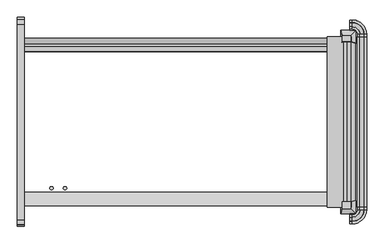
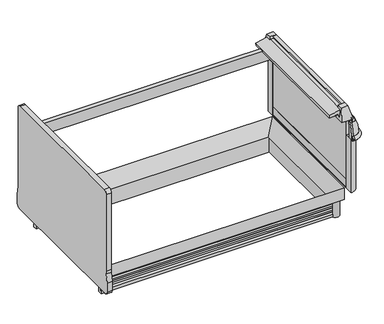
"""IFC4 building model written with IfcOpenShell, lengths in millimetres: proxy geometry."""

from ifc_helpers import new_model, si_unit, point, frame, frame_2d, origin, origin_with_axes, place, context, project, spatial, polyline, circle_curve, ellipse_curve, trimmed, segment, composite_curve, outline, extrude, faceted_brep, source, transform, mapped, element, save
from ifc_brep_helpers import plane_surface, cylinder_surface, revolved_surface, advanced_brep


def mechanical_equipment_b67474ab(model_context):
    return source(origin(), model_context, "Body", "SolidModel", [
        faceted_brep([(1837.6225341, -1407.9898987, 887.830185), (1837.6225341, -1369.8898987, 887.830185), (1786.8225341, -1369.8898987, 887.830185), (1786.8225341, -1407.9898987, 887.830185), (1863.9736504, -1434.8571273, 789.5616491), (1776.2530658, -1434.8571273, 789.5616491), (1776.2530658, -1361.5806673, 789.5616491), (1863.9736504, -1361.5806673, 789.5616491)], [[[0, 1, 2, 3]], [[4, 5, 6, 7]], [[5, 4, 0, 3]], [[6, 5, 3, 2]], [[7, 6, 2, 1]], [[4, 7, 1, 0]]]),
        advanced_brep(
        [(1907.4448888, -441.4213458, 685.0123617), (1905.7991151, -441.4213458, 652.3000491), (1907.4448888, -427.271097, 685.0123617), (1905.7991151, -427.271097, 652.3000491), (1843.4679207, -364.9399026, 652.3000491), (1843.4679207, -363.2941289, 685.0123617), (1828.8, -363.2941289, 685.0123617), (1828.8, -364.9399026, 652.3000491)],
        [
            (0, 1),
            (1, 0, circle_curve(frame((1906.076553, -441.4213458, 668.6836472), z_axis=(0.0, -1.0, 0.0), x_axis=(-1.0, 0.0, 0.0)), 16.385947)),
            (0, 2),
            (2, 3),
            (3, 1),
            (3, 2, circle_curve(frame((1906.076553, -427.271097, 668.6836472), z_axis=(0.0, -1.0, 0.0), x_axis=(-1.0, 0.0, 0.0)), 16.385947)),
            (4, 3, circle_curve(frame((1843.4679207, -427.271097, 652.3000491), z_axis=(0.0, 0.0, -1.0), x_axis=(1.0, 0.0, 0.0)), 62.3311944)),
            (2, 5, circle_curve(frame((1843.4679207, -427.271097, 685.0123617), z_axis=(0.0, 0.0, 1.0), x_axis=(1.0, 0.0, 0.0)), 63.9769681)),
            (5, 4),
            (4, 5, circle_curve(frame((1843.4679207, -364.6624647, 668.6836472), z_axis=(1.0, 0.0, 0.0), x_axis=(0.0, -1.0, 0.0)), 16.385947)),
            (6, 7, circle_curve(frame((1828.8, -364.6624647, 668.6836472), z_axis=(-1.0, 0.0, 0.0), x_axis=(0.0, -1.0, 0.0)), 16.385947)),
            (7, 6),
            (5, 6),
            (7, 4),
        ],
        [
            plane_surface(frame((1922.4625, -441.4213458, 0.0), z_axis=(0.0, -1.0, 0.0), x_axis=(0.0, 0.0, 1.0))),
            plane_surface(frame((1907.4448888, -441.4213458, 685.0123617), z_axis=(-0.9987368228727785, 0.0, 0.05024697640642828), x_axis=(0.0, 1.0, 0.0))),
            cylinder_surface(frame((1906.076553, -441.4213458, 668.6836472), z_axis=(0.0, -1.0, 0.0), x_axis=(-1.0, 0.0, 0.0)), 16.385947),
            revolved_surface(polyline([(1907.4448888, -427.271097, 685.0123617), (1905.7991151, -427.271097, 652.3000491)]), (1843.4679207, -427.271097, 0.0), (0.0, 0.0, 1.0)),
            revolved_surface(trimmed(ellipse_curve(frame((1906.076553, -427.271097, 668.6836472), z_axis=(0.0, -1.0, 0.0), x_axis=(-1.0, 0.0, 0.0)), 16.385947, 16.385947), [point((1905.7991151, -427.271097, 652.3000491))], [point((1907.4448888, -427.271097, 685.0123617))], True, "CARTESIAN"), (1843.4679207, -427.271097, 0.0), (0.0, 0.0, 1.0)),
            plane_surface(frame((1828.8, -348.2765176, 0.0), z_axis=(-1.0, 0.0, 0.0), x_axis=(0.0, 0.0, 1.0))),
            plane_surface(frame((1843.4679207, -363.2941289, 685.0123617), z_axis=(0.0, -0.9987368228727785, 0.05024697640642828), x_axis=(-1.0, 0.0, 0.0))),
            cylinder_surface(frame((1843.4679207, -364.6624647, 668.6836472), z_axis=(1.0, 0.0, 0.0), x_axis=(0.0, -1.0, 0.0)), 16.385947),
        ],
        [
            (0, [[1, 2]]),
            (1, [[-1, 3, 4, 5]]),
            (2, [[-2, -5, 6, -3]]),
            (3, [[7, -4, 8, 9]]),
            (4, [[-8, -6, -7, 10]]),
            (5, [[11, 12]]),
            (6, [[-9, 13, -12, 14]]),
            (7, [[-10, -14, -11, -13]]),
        ],
    ),
        extrude(outline(composite_curve([segment(polyline([(1828.8, -441.4213458), (1828.8, -380.4372292)]), True, "CONTINUOUS"), segment(trimmed(circle_curve(frame_2d((1828.8, -441.4213458)), 60.9841166), [point((1828.8, -380.4372292))], [point((1889.7841166, -441.4213458))], False, "CARTESIAN"), True, "CONTINUOUS"), segment(polyline([(1889.7841166, -441.4213458), (1828.8, -441.4213458)]), True, "CONTINUOUS")], self_intersect=False)), frame((0.0, 0.0, 226.1000374), z_axis=(0.0, 0.0, 1.0), x_axis=(1.0, 0.0, 0.0)), (0.0, 0.0, 1.0), 424.6252116),
        advanced_brep(
        [(1869.8624683, -441.4213458, 789.5616491), (1857.094269, -441.4213458, 789.5616491), (1868.7930904, -441.4213458, 752.5993877), (1868.7930904, -441.4213458, 650.7252491), (1904.2243151, -441.4213458, 650.7252491), (1905.7991151, -441.4213458, 652.3000491), (1907.4448888, -441.4213458, 685.0123617), (1884.2738542, -441.4213458, 780.3445453), (1869.8624683, -427.271097, 789.5616491), (1843.4679207, -400.8765493, 789.5616491), (1828.8, -400.8765493, 789.5616491), (1828.8, -413.6447486, 789.5616491), (1843.4679207, -413.6447486, 789.5616491), (1857.094269, -427.271097, 789.5616491), (1868.7930904, -427.271097, 752.5993877), (1868.7930904, -427.271097, 650.7252491), (1843.4679207, -401.9459272, 650.7252491), (1828.8, -401.9459272, 650.7252491), (1828.8, -366.5147026, 650.7252491), (1843.4679207, -366.5147026, 650.7252491), (1904.2243151, -427.271097, 650.7252491), (1905.7991151, -427.271097, 652.3000491), (1907.4448888, -427.271097, 685.0123617), (1884.2738542, -427.271097, 780.3445453), (1828.8, -386.4651634, 780.3445453), (1828.8, -363.2941289, 685.0123617), (1828.8, -364.9399026, 652.3000491), (1828.8, -401.9459272, 752.5993877), (1843.4679207, -401.9459272, 752.5993877), (1843.4679207, -364.9399026, 652.3000491), (1843.4679207, -363.2941289, 685.0123617), (1843.4679207, -386.4651634, 780.3445453)],
        [
            (0, 1),
            (1, 2),
            (2, 3),
            (3, 4),
            (4, 5),
            (5, 6),
            (6, 7, circle_curve(frame((1653.6916802, -441.4213458, 673.8182058), z_axis=(0.0, -1.0, 0.0), x_axis=(-1.0, 0.0, 0.0)), 254.0)),
            (7, 0, circle_curve(frame((1869.8624683, -441.4213458, 773.6866491), z_axis=(0.0, -1.0, 0.0), x_axis=(-1.0, 0.0, 0.0)), 15.875)),
            (0, 8),
            (8, 9, circle_curve(frame((1843.4679207, -427.271097, 789.5616491), z_axis=(0.0, 0.0, 1.0), x_axis=(1.0, 0.0, 0.0)), 26.3945477)),
            (9, 10),
            (10, 11),
            (11, 12),
            (12, 13, circle_curve(frame((1843.4679207, -427.271097, 789.5616491), z_axis=(0.0, 0.0, -1.0), x_axis=(1.0, 0.0, 0.0)), 13.6263483)),
            (13, 1),
            (13, 14),
            (14, 2),
            (14, 15),
            (15, 3),
            (15, 16, circle_curve(frame((1843.4679207, -427.271097, 650.7252491), z_axis=(0.0, 0.0, 1.0), x_axis=(1.0, 0.0, 0.0)), 25.3251698)),
            (16, 17),
            (17, 18),
            (18, 19),
            (19, 20, circle_curve(frame((1843.4679207, -427.271097, 650.7252491), z_axis=(0.0, 0.0, -1.0), x_axis=(1.0, 0.0, 0.0)), 60.7563944)),
            (20, 4),
            (20, 21),
            (21, 5),
            (21, 22),
            (22, 6),
            (22, 23, circle_curve(frame((1653.6916802, -427.271097, 673.8182058), z_axis=(0.0, -1.0, 0.0), x_axis=(-1.0, 0.0, 0.0)), 254.0)),
            (23, 7),
            (23, 8, circle_curve(frame((1869.8624683, -427.271097, 773.6866491), z_axis=(0.0, -1.0, 0.0), x_axis=(-1.0, 0.0, 0.0)), 15.875)),
            (10, 24, circle_curve(frame((1828.8, -400.8765493, 773.6866491), z_axis=(-1.0, 0.0, 0.0), x_axis=(0.0, -1.0, 0.0)), 15.875)),
            (24, 25, circle_curve(frame((1828.8, -617.0473375, 673.8182058), z_axis=(-1.0, 0.0, 0.0), x_axis=(0.0, -1.0, 0.0)), 254.0)),
            (25, 26),
            (26, 18),
            (17, 27),
            (27, 11),
            (28, 14, circle_curve(frame((1843.4679207, -427.271097, 752.5993877), z_axis=(0.0, 0.0, -1.0), x_axis=(1.0, 0.0, 0.0)), 25.3251698)),
            (12, 28),
            (28, 16),
            (29, 21, circle_curve(frame((1843.4679207, -427.271097, 652.3000491), z_axis=(0.0, 0.0, -1.0), x_axis=(1.0, 0.0, 0.0)), 62.3311944)),
            (19, 29),
            (30, 22, circle_curve(frame((1843.4679207, -427.271097, 685.0123617), z_axis=(0.0, 0.0, -1.0), x_axis=(1.0, 0.0, 0.0)), 63.9769681)),
            (29, 30),
            (31, 23, circle_curve(frame((1843.4679207, -427.271097, 780.3445453), z_axis=(0.0, 0.0, -1.0), x_axis=(1.0, 0.0, 0.0)), 40.8059336)),
            (30, 31, circle_curve(frame((1843.4679207, -617.0473375, 673.8182058), z_axis=(1.0, 0.0, 0.0), x_axis=(0.0, -1.0, 0.0)), 254.0)),
            (31, 9, circle_curve(frame((1843.4679207, -400.8765493, 773.6866491), z_axis=(1.0, 0.0, 0.0), x_axis=(0.0, -1.0, 0.0)), 15.875)),
            (27, 28),
            (26, 29),
            (25, 30),
            (24, 31),
        ],
        [
            plane_surface(frame((1922.4625, -441.4213458, 0.0), z_axis=(0.0, -1.0, 0.0), x_axis=(0.0, 0.0, 1.0))),
            plane_surface(frame((1869.8624683, -441.4213458, 789.5616491), z_axis=(0.0, 0.0, 1.0), x_axis=(0.0, 1.0, 0.0))),
            plane_surface(frame((1857.094269, -441.4213458, 789.5616491), z_axis=(-0.9533859746647335, 0.0, -0.3017535141677331), x_axis=(0.0, 1.0, 0.0))),
            plane_surface(frame((1868.7930904, -441.4213458, 752.5993877), z_axis=(-1.0, 0.0, 0.0), x_axis=(0.0, 1.0, 0.0))),
            plane_surface(frame((1890.3051151, -441.4213458, 650.7252491), z_axis=(0.0, 0.0, -1.0), x_axis=(0.0, 1.0, 0.0))),
            plane_surface(frame((1904.2243151, -441.4213458, 650.7252491), z_axis=(0.7071067811865779, 0.0, -0.7071067811865172), x_axis=(0.0, 1.0, 0.0))),
            plane_surface(frame((1905.7991151, -441.4213458, 652.3000491), z_axis=(0.9987368228727792, 0.0, -0.050246976406415636), x_axis=(0.0, 1.0, 0.0))),
            cylinder_surface(frame((1653.6916802, -441.4213458, 673.8182058), z_axis=(0.0, -1.0, 0.0), x_axis=(-1.0, 0.0, 0.0)), 254.0),
            cylinder_surface(frame((1869.8624683, -441.4213458, 773.6866491), z_axis=(0.0, -1.0, 0.0), x_axis=(-1.0, 0.0, 0.0)), 15.875),
            plane_surface(frame((1828.8, -348.2765176, 0.0), z_axis=(-1.0, 0.0, 0.0), x_axis=(0.0, 0.0, 1.0))),
            revolved_surface(polyline([(1857.094269, -427.271097, 789.5616491), (1868.7930904, -427.271097, 752.5993877)]), (1843.4679207, -427.271097, 0.0), (0.0, 0.0, 1.0)),
            revolved_surface(polyline([(1868.7930904999998, -427.271097, 752.5993877), (1868.7930904999998, -427.271097, 650.7252491)]), (1843.4679207, -427.271097, 0.0), (0.0, 0.0, 1.0)),
            revolved_surface(polyline([(1904.2243151, -427.271097, 650.7252491), (1905.7991151, -427.271097, 652.3000491)]), (1843.4679207, -427.271097, 0.0), (0.0, 0.0, 1.0)),
            revolved_surface(polyline([(1905.7991151, -427.271097, 652.3000491), (1907.4448888, -427.271097, 685.0123617)]), (1843.4679207, -427.271097, 0.0), (0.0, 0.0, 1.0)),
            revolved_surface(trimmed(ellipse_curve(frame((1653.6916802, -427.271097, 673.8182058), z_axis=(0.0, -1.0, 0.0), x_axis=(-1.0, 0.0, 0.0)), 254.0, 254.0), [point((1907.4448888, -427.271097, 685.0123617))], [point((1884.2738542, -427.271097, 780.3445453))], True, "CARTESIAN"), (1843.4679207, -427.271097, 0.0), (0.0, 0.0, 1.0)),
            revolved_surface(trimmed(ellipse_curve(frame((1869.8624683, -427.271097, 773.6866491), z_axis=(0.0, -1.0, 0.0), x_axis=(-1.0, 0.0, 0.0)), 15.875, 15.875), [point((1884.2738542, -427.271097, 780.3445453))], [point((1869.8624683, -427.271097, 789.5616491))], True, "CARTESIAN"), (1843.4679207, -427.271097, 0.0), (0.0, 0.0, 1.0)),
            plane_surface(frame((1843.4679207, -413.6447486, 789.5616491), z_axis=(0.0, -0.9533859746647335, -0.3017535141677331), x_axis=(-1.0, 0.0, 0.0))),
            plane_surface(frame((1843.4679207, -401.9459272, 752.5993877), z_axis=(0.0, -1.0, 0.0), x_axis=(-1.0, 0.0, 0.0))),
            plane_surface(frame((1843.4679207, -366.5147026, 650.7252491), z_axis=(0.0, 0.7071067811865779, -0.7071067811865172), x_axis=(-1.0, 0.0, 0.0))),
            plane_surface(frame((1843.4679207, -364.9399026, 652.3000491), z_axis=(0.0, 0.9987368228727792, -0.050246976406415636), x_axis=(-1.0, 0.0, 0.0))),
            cylinder_surface(frame((1843.4679207, -617.0473375, 673.8182058), z_axis=(1.0, 0.0, 0.0), x_axis=(0.0, -1.0, 0.0)), 254.0),
            cylinder_surface(frame((1843.4679207, -400.8765493, 773.6866491), z_axis=(1.0, 0.0, 0.0), x_axis=(0.0, -1.0, 0.0)), 15.875),
        ],
        [
            (0, [[1, 2, 3, 4, 5, 6, 7, 8]]),
            (1, [[-1, 9, 10, 11, 12, 13, 14, 15]]),
            (2, [[-2, -15, 16, 17]]),
            (3, [[-3, -17, 18, 19]]),
            (4, [[-19, 20, 21, 22, 23, 24, 25, -4]]),
            (5, [[-5, -25, 26, 27]]),
            (6, [[-6, -27, 28, 29]]),
            (7, [[-7, -29, 30, 31]]),
            (8, [[-8, -31, 32, -9]]),
            (9, [[33, 34, 35, 36, -22, 37, 38, -12]]),
            (10, [[39, -16, -14, 40]]),
            (11, [[-20, -18, -39, 41]]),
            (12, [[42, -26, -24, 43]]),
            (13, [[44, -28, -42, 45]]),
            (14, [[46, -30, -44, 47]]),
            (15, [[-10, -32, -46, 48]]),
            (16, [[-40, -13, -38, 49]]),
            (17, [[-41, -49, -37, -21]]),
            (18, [[-43, -23, -36, 50]]),
            (19, [[-45, -50, -35, 51]]),
            (20, [[-47, -51, -34, 52]]),
            (21, [[-48, -52, -33, -11]]),
        ],
    ),
        faceted_brep([(1837.6225341, -433.0243559, 887.830185), (1786.8225341, -433.0243559, 887.830185), (1786.8225341, -471.1243559, 887.830185), (1837.6225341, -471.1243559, 887.830185), (1863.9736504, -406.1571273, 789.5616491), (1863.9736504, -479.4335873, 789.5616491), (1776.2530658, -479.4335873, 789.5616491), (1776.2530658, -406.1571273, 789.5616491)], [[[0, 1, 2, 3]], [[4, 5, 6, 7]], [[4, 7, 1, 0]], [[7, 6, 2, 1]], [[6, 5, 3, 2]], [[5, 4, 0, 3]]]),
        extrude(outline(composite_curve([segment(trimmed(circle_curve(frame_2d((1776.7826477, -1346.327275)), 30.3864225), [point((1792.6253577, -1320.3976931))], [point((1750.8530658, -1362.169985))], False, "CARTESIAN"), True, "CONTINUOUS"), segment(polyline([(1750.8530658, -1362.169985), (1792.6253577, -1320.3976931)]), True, "CONTINUOUS")], self_intersect=False)), origin_with_axes(), (0.0, 0.0, 1.0), 134.9377392),
        extrude(outline(composite_curve([segment(polyline([(1792.6253577, -520.6165615), (1750.8530658, -478.8442696)]), True, "CONTINUOUS"), segment(trimmed(circle_curve(frame_2d((1776.7826477, -494.6869796)), 30.3864225), [point((1750.8530658, -478.8442696))], [point((1792.6253577, -520.6165615))], False, "CARTESIAN"), True, "CONTINUOUS")], self_intersect=False)), origin_with_axes(), (0.0, 0.0, 1.0), 134.9377392),
        faceted_brep([(0.0, -1315.4009706, 134.9377392), (0.0, -1391.2014814, 134.9377392), (0.0, -1391.2014814, 226.1000374), (1745.8563433, -1315.4009706, 134.9377392), (1745.8563433, -525.6132839, 134.9377392), (0.0, -525.6132839, 134.9377392), (0.0, -449.8127732, 134.9377392), (1821.6568541, -449.8127732, 134.9377392), (1821.6568541, -1391.2014814, 134.9377392), (1821.6568541, -1391.2014814, 226.1000374), (1821.6568541, -449.8127732, 226.1000374), (0.0, -449.8127732, 226.1000374)], [[[0, 1, 2]], [[1, 0, 3, 4, 5, 6, 7, 8]], [[2, 1, 8, 9]], [[0, 2, 9, 3]], [[9, 8, 7, 10]], [[3, 9, 10, 4]], [[5, 11, 6]], [[10, 7, 6, 11]], [[4, 10, 11, 5]]]),
        advanced_brep(
        [(0.0, -1362.169985, 0.0), (0.0, -1362.169985, 22.738034), (0.0, -1348.552182, 32.3453469), (0.0, -1345.063085, 43.510607), (0.0, -1355.7002802, 41.3527842), (0.0, -1357.6941802, 41.3527842), (0.0, -1357.6941802, 54.0527842), (0.0, -1348.552182, 63.31753), (0.0, -1345.063085, 74.4827901), (0.0, -1355.7002802, 72.3249673), (0.0, -1357.6941802, 72.3249673), (0.0, -1357.6941802, 85.0249673), (0.0, -1348.552182, 94.2897131), (0.0, -1345.063085, 105.3285212), (0.0, -1355.7002802, 103.2973373), (0.0, -1357.6941802, 103.2973373), (0.0, -1357.6941802, 115.9973373), (0.0, -1345.063085, 128.6971504), (0.0, -1345.063085, 134.9377392), (0.0, -1329.6202359, 134.9377392), (0.0, -1329.6202359, 0.0), (1792.6253577, -1362.169985, 0.0), (1792.6253577, -1362.169985, 22.738034), (1779.0075547, -1348.552182, 32.3453469), (1775.5184577, -1345.063085, 43.510607), (1786.1556529, -1355.7002802, 41.3527842), (1786.1556529, -485.3139744, 41.3527842), (0.0, -485.3139744, 41.3527842), (0.0, -483.3200744, 41.3527842), (1788.1495529, -483.3200744, 41.3527842), (1788.1495529, -1357.6941802, 41.3527842), (1788.1495529, -1357.6941802, 54.0527842), (1779.0075547, -1348.552182, 63.31753), (1775.5184577, -1345.063085, 74.4827901), (1786.1556529, -1355.7002802, 72.3249673), (1786.1556529, -485.3139744, 72.3249673), (0.0, -485.3139744, 72.3249673), (0.0, -483.3200744, 72.3249673), (1788.1495529, -483.3200744, 72.3249673), (1788.1495529, -1357.6941802, 72.3249673), (1788.1495529, -1357.6941802, 85.0249673), (1779.0075547, -1348.552182, 94.2897131), (1775.5184577, -1345.063085, 105.3285212), (1786.1556529, -1355.7002802, 103.2973373), (1786.1556529, -485.3139744, 103.2973373), (0.0, -485.3139744, 103.2973373), (0.0, -483.3200744, 103.2973373), (1788.1495529, -483.3200744, 103.2973373), (1788.1495529, -1357.6941802, 103.2973373), (1788.1495529, -1357.6941802, 115.9973373), (1775.5184577, -1345.063085, 128.6971504), (1775.5184577, -1345.063085, 134.9377392), (1775.5184577, -495.9511696, 134.9377392), (0.0, -495.9511696, 134.9377392), (0.0, -511.3940187, 134.9377392), (1760.0756086, -511.3940187, 134.9377392), (1760.0756086, -1329.6202359, 134.9377392), (1760.0756086, -1329.6202359, 0.0), (1760.0756086, -511.3940187, 0.0), (0.0, -511.3940187, 0.0), (0.0, -478.8442696, 0.0), (1792.6253577, -478.8442696, 0.0), (1792.6253577, -478.8442696, 22.738034), (1779.0075547, -492.4620726, 32.3453469), (1775.5184577, -495.9511696, 43.510607), (1788.1495529, -483.3200744, 54.0527842), (1779.0075547, -492.4620726, 63.31753), (1775.5184577, -495.9511696, 74.4827901), (1788.1495529, -483.3200744, 85.0249673), (1779.0075547, -492.4620726, 94.2897131), (1775.5184577, -495.9511696, 105.3285212), (1788.1495529, -483.3200744, 115.9973373), (1775.5184577, -495.9511696, 128.6971504), (0.0, -495.9511696, 128.6971504), (0.0, -483.3200744, 115.9973373), (0.0, -495.9511696, 105.3285212), (0.0, -492.4620726, 94.2897131), (0.0, -483.3200744, 85.0249673), (0.0, -495.9511696, 74.4827901), (0.0, -492.4620726, 63.31753), (0.0, -483.3200744, 54.0527842), (0.0, -495.9511696, 43.510607), (0.0, -492.4620726, 32.3453469), (0.0, -478.8442696, 22.738034)],
        [
            (0, 1),
            (1, 2, circle_curve(frame((0.0, -1361.6341614, 36.4334108), z_axis=(1.0, 0.0, 0.0), x_axis=(0.0, 1.0, 0.0)), 13.7058546)),
            (2, 3),
            (3, 4),
            (4, 5),
            (5, 6),
            (6, 7, circle_curve(frame((0.0, -1362.112048, 67.5549314), z_axis=(1.0, 0.0, 0.0), x_axis=(0.0, 1.0, 0.0)), 14.2065314)),
            (7, 8),
            (8, 9),
            (9, 10),
            (10, 11),
            (11, 12, circle_curve(frame((0.0, -1362.1844233, 98.598531), z_axis=(1.0, 0.0, 0.0), x_axis=(0.0, 1.0, 0.0)), 14.2969897)),
            (12, 13),
            (13, 14),
            (14, 15),
            (15, 16),
            (16, 17, circle_curve(frame((0.0, -1357.763085, 128.6971504), z_axis=(1.0, 0.0, 0.0), x_axis=(0.0, 1.0, 0.0)), 12.7)),
            (17, 18),
            (18, 19),
            (19, 20),
            (20, 0),
            (0, 21),
            (21, 22),
            (22, 1),
            (22, 23, ellipse_curve(frame((1792.0895341, -1361.6341614, 36.4334108), z_axis=(0.7071067811865475, 0.7071067811865475, 0.0), x_axis=(0.7071067811865476, -0.7071067811865474, 0.0)), 19.3830055, 13.7058546)),
            (23, 2),
            (23, 24),
            (24, 3),
            (24, 25),
            (25, 4),
            (25, 26),
            (26, 27),
            (27, 28),
            (28, 29),
            (29, 30),
            (30, 5),
            (30, 31),
            (31, 6),
            (31, 32, ellipse_curve(frame((1792.5674207, -1362.112048, 67.5549314), z_axis=(0.7071067811865475, 0.7071067811865475, 0.0), x_axis=(0.7071067811865476, -0.7071067811865474, 0.0)), 20.0910694, 14.2065314)),
            (32, 7),
            (32, 33),
            (33, 8),
            (33, 34),
            (34, 9),
            (34, 35),
            (35, 36),
            (36, 37),
            (37, 38),
            (38, 39),
            (39, 10),
            (39, 40),
            (40, 11),
            (40, 41, ellipse_curve(frame((1792.639796, -1362.1844233, 98.598531), z_axis=(0.7071067811865475, 0.7071067811865475, 0.0), x_axis=(0.7071067811865476, -0.7071067811865474, 0.0)), 20.2189967, 14.2969897)),
            (41, 12),
            (41, 42),
            (42, 13),
            (42, 43),
            (43, 14),
            (43, 44),
            (44, 45),
            (45, 46),
            (46, 47),
            (47, 48),
            (48, 15),
            (48, 49),
            (49, 16),
            (49, 50, ellipse_curve(frame((1788.2184577, -1357.763085, 128.6971504), z_axis=(0.7071067811865475, 0.7071067811865475, 0.0), x_axis=(0.7071067811865476, -0.7071067811865474, 0.0)), 17.9605122, 12.7)),
            (50, 17),
            (50, 51),
            (51, 18),
            (51, 52),
            (52, 53),
            (53, 54),
            (54, 55),
            (55, 56),
            (56, 19),
            (56, 57),
            (57, 20),
            (57, 58),
            (58, 59),
            (59, 60),
            (60, 61),
            (61, 21),
            (61, 62),
            (62, 22),
            (62, 63, ellipse_curve(frame((1792.0895341, -479.3800932, 36.4334108), z_axis=(-0.7071067811865475, 0.7071067811865475, 0.0), x_axis=(0.7071067811865474, 0.7071067811865476, 0.0)), 19.3830055, 13.7058546)),
            (63, 23),
            (63, 64),
            (64, 24),
            (64, 26),
            (29, 65),
            (65, 31),
            (65, 66, ellipse_curve(frame((1792.5674207, -478.9022066, 67.5549314), z_axis=(-0.7071067811865475, 0.7071067811865475, 0.0), x_axis=(0.7071067811865474, 0.7071067811865476, 0.0)), 20.0910694, 14.2065314)),
            (66, 32),
            (66, 67),
            (67, 33),
            (67, 35),
            (38, 68),
            (68, 40),
            (68, 69, ellipse_curve(frame((1792.639796, -478.8298313, 98.598531), z_axis=(-0.7071067811865475, 0.7071067811865475, 0.0), x_axis=(0.7071067811865474, 0.7071067811865476, 0.0)), 20.2189967, 14.2969897)),
            (69, 41),
            (69, 70),
            (70, 42),
            (70, 44),
            (47, 71),
            (71, 49),
            (71, 72, ellipse_curve(frame((1788.2184577, -483.2511696, 128.6971504), z_axis=(-0.7071067811865475, 0.7071067811865475, 0.0), x_axis=(0.7071067811865474, 0.7071067811865476, 0.0)), 17.9605122, 12.7)),
            (72, 50),
            (72, 52),
            (55, 58),
            (59, 54),
            (53, 73),
            (73, 74, circle_curve(frame((0.0, -483.2511696, 128.6971504), z_axis=(1.0, 0.0, 0.0), x_axis=(0.0, -1.0, 0.0)), 12.7)),
            (74, 46),
            (45, 75),
            (75, 76),
            (76, 77, circle_curve(frame((0.0, -478.8298313, 98.598531), z_axis=(1.0, 0.0, 0.0), x_axis=(0.0, -1.0, 0.0)), 14.2969897)),
            (77, 37),
            (36, 78),
            (78, 79),
            (79, 80, circle_curve(frame((0.0, -478.9022066, 67.5549314), z_axis=(1.0, 0.0, 0.0), x_axis=(0.0, -1.0, 0.0)), 14.2065314)),
            (80, 28),
            (27, 81),
            (81, 82),
            (82, 83, circle_curve(frame((0.0, -479.3800932, 36.4334108), z_axis=(1.0, 0.0, 0.0), x_axis=(0.0, -1.0, 0.0)), 13.7058546)),
            (83, 60),
            (83, 62),
            (82, 63),
            (81, 64),
            (80, 65),
            (79, 66),
            (78, 67),
            (77, 68),
            (76, 69),
            (75, 70),
            (74, 71),
            (73, 72),
        ],
        [
            plane_surface(frame((0.0, -1492.0071273, 0.0), z_axis=(-1.0, 0.0, 0.0), x_axis=(0.0, 0.0, 1.0))),
            plane_surface(frame((0.0, -1362.169985, 0.0), z_axis=(0.0, -1.0, 0.0), x_axis=(1.0, 0.0, 0.0))),
            revolved_surface(polyline([(1805.795388728826, -1347.9283068, 36.4334108), (0.0, -1347.9283068, 36.4334108)]), (0.0, -1361.6341614, 36.4334108), (1.0, 0.0, 0.0)),
            plane_surface(frame((0.0, -1348.552182, 32.3453469), z_axis=(0.0, -0.9544811145040085, 0.29827135641087943), x_axis=(1.0, 0.0, 0.0))),
            plane_surface(frame((0.0, -1345.063085, 43.510607), z_axis=(0.0, 0.19880707887695687, -0.9800386448443814), x_axis=(1.0, 0.0, 0.0))),
            plane_surface(frame((0.0, -1355.7002802, 41.3527842), z_axis=(0.0, 0.0, -1.0), x_axis=(1.0, 0.0, 0.0))),
            plane_surface(frame((0.0, -1357.6941802, 41.3527842), z_axis=(0.0, -1.0, 0.0), x_axis=(1.0, 0.0, 0.0))),
            revolved_surface(polyline([(1806.7739521140295, -1347.9055166, 67.5549314), (0.0, -1347.9055166, 67.5549314)]), (0.0, -1362.112048, 67.5549314), (1.0, 0.0, 0.0)),
            plane_surface(frame((0.0, -1348.552182, 63.31753), z_axis=(0.0, -0.9544811145040126, 0.2982713564108663), x_axis=(1.0, 0.0, 0.0))),
            plane_surface(frame((0.0, -1345.063085, 74.4827901), z_axis=(0.0, 0.19880707887702875, -0.9800386448443668), x_axis=(1.0, 0.0, 0.0))),
            plane_surface(frame((0.0, -1355.7002802, 72.3249673), z_axis=(0.0, 0.0, -1.0), x_axis=(1.0, 0.0, 0.0))),
            plane_surface(frame((0.0, -1357.6941802, 72.3249673), z_axis=(0.0, -1.0, 0.0), x_axis=(1.0, 0.0, 0.0))),
            revolved_surface(polyline([(1806.9367856753584, -1347.8874336, 98.598531), (0.0, -1347.8874336, 98.598531)]), (0.0, -1362.1844233, 98.598531), (1.0, 0.0, 0.0)),
            plane_surface(frame((0.0, -1348.552182, 94.2897131), z_axis=(0.0, -0.9535043111328473, 0.3013793766186971), x_axis=(1.0, 0.0, 0.0))),
            plane_surface(frame((0.0, -1345.063085, 105.3285212), z_axis=(0.0, 0.18756221551803512, -0.982252724765865), x_axis=(1.0, 0.0, 0.0))),
            plane_surface(frame((0.0, -1355.7002802, 103.2973373), z_axis=(0.0, 0.0, -1.0), x_axis=(1.0, 0.0, 0.0))),
            plane_surface(frame((0.0, -1357.6941802, 103.2973373), z_axis=(0.0, -1.0, 0.0), x_axis=(1.0, 0.0, 0.0))),
            revolved_surface(polyline([(1800.9184576702037, -1345.063085, 128.6971504), (0.0, -1345.063085, 128.6971504)]), (0.0, -1357.763085, 128.6971504), (1.0, 0.0, 0.0)),
            plane_surface(frame((0.0, -1345.063085, 128.6971504), z_axis=(0.0, -1.0, 0.0), x_axis=(1.0, 0.0, 0.0))),
            plane_surface(frame((0.0, -1345.063085, 134.9377392), z_axis=(0.0, 0.0, 1.0), x_axis=(1.0, 0.0, 0.0))),
            plane_surface(frame((0.0, -1329.6202359, 134.9377392), z_axis=(0.0, 1.0, 0.0), x_axis=(1.0, 0.0, 0.0))),
            plane_surface(frame((0.0, -1329.6202359, 0.0), z_axis=(0.0, 0.0, -1.0), x_axis=(1.0, 0.0, 0.0))),
            plane_surface(frame((1792.6253577, -1362.169985, 0.0), z_axis=(1.0, 0.0, 0.0), x_axis=(0.0, 1.0, 0.0))),
            revolved_surface(polyline([(1778.3836795, -465.6742385711739, 36.4334108), (1778.3836795, -1375.340016028826, 36.4334108)]), (1792.0895341, -1492.0071273, 36.4334108), (0.0, 1.0, 0.0)),
            plane_surface(frame((1779.0075547, -1348.552182, 32.3453469), z_axis=(0.9544811145040085, 0.0, 0.29827135641087943), x_axis=(0.0, 1.0, 0.0))),
            plane_surface(frame((1775.5184577, -1345.063085, 43.510607), z_axis=(-0.19880707887695687, 0.0, -0.9800386448443814), x_axis=(0.0, 1.0, 0.0))),
            plane_surface(frame((1788.1495529, -1357.6941802, 41.3527842), z_axis=(1.0, 0.0, 0.0), x_axis=(0.0, 1.0, 0.0))),
            revolved_surface(polyline([(1778.3608893, -464.69567518597046, 67.5549314), (1778.3608893, -1376.3185794140295, 67.5549314)]), (1792.5674207, -1492.0071273, 67.5549314), (0.0, 1.0, 0.0)),
            plane_surface(frame((1779.0075547, -1348.552182, 63.31753), z_axis=(0.9544811145040126, 0.0, 0.2982713564108663), x_axis=(0.0, 1.0, 0.0))),
            plane_surface(frame((1775.5184577, -1345.063085, 74.4827901), z_axis=(-0.19880707887702875, 0.0, -0.9800386448443668), x_axis=(0.0, 1.0, 0.0))),
            plane_surface(frame((1788.1495529, -1357.6941802, 72.3249673), z_axis=(1.0, 0.0, 0.0), x_axis=(0.0, 1.0, 0.0))),
            revolved_surface(polyline([(1778.3428063, -464.5328416246416, 98.598531), (1778.3428063, -1376.4814129753584, 98.598531)]), (1792.639796, -1492.0071273, 98.598531), (0.0, 1.0, 0.0)),
            plane_surface(frame((1779.0075547, -1348.552182, 94.2897131), z_axis=(0.9535043111328473, 0.0, 0.3013793766186971), x_axis=(0.0, 1.0, 0.0))),
            plane_surface(frame((1775.5184577, -1345.063085, 105.3285212), z_axis=(-0.18756221551803512, 0.0, -0.982252724765865), x_axis=(0.0, 1.0, 0.0))),
            plane_surface(frame((1788.1495529, -1357.6941802, 103.2973373), z_axis=(1.0, 0.0, 0.0), x_axis=(0.0, 1.0, 0.0))),
            revolved_surface(polyline([(1775.5184577, -470.5511696297963, 128.6971504), (1775.5184577, -1370.4630849702037, 128.6971504)]), (1788.2184577, -1492.0071273, 128.6971504), (0.0, 1.0, 0.0)),
            plane_surface(frame((1775.5184577, -1345.063085, 128.6971504), z_axis=(1.0, 0.0, 0.0), x_axis=(0.0, 1.0, 0.0))),
            plane_surface(frame((1760.0756086, -1329.6202359, 134.9377392), z_axis=(-1.0, 0.0, 0.0), x_axis=(0.0, 1.0, 0.0))),
            plane_surface(frame((0.0, -349.0071273, 0.0), z_axis=(-1.0, 0.0, 0.0), x_axis=(0.0, 0.0, 1.0))),
            plane_surface(frame((1792.6253577, -478.8442696, 0.0), z_axis=(0.0, 1.0, 0.0), x_axis=(-1.0, 0.0, 0.0))),
            revolved_surface(polyline([(0.0, -493.0859478, 36.4334108), (1805.795388728826, -493.0859478, 36.4334108)]), (1922.4625, -479.3800932, 36.4334108), (-1.0, 0.0, 0.0)),
            plane_surface(frame((1779.0075547, -492.4620726, 32.3453469), z_axis=(0.0, 0.9544811145040085, 0.29827135641087943), x_axis=(-1.0, 0.0, 0.0))),
            plane_surface(frame((1775.5184577, -495.9511696, 43.510607), z_axis=(0.0, -0.19880707887695687, -0.9800386448443814), x_axis=(-1.0, 0.0, 0.0))),
            plane_surface(frame((1788.1495529, -483.3200744, 41.3527842), z_axis=(0.0, 1.0, 0.0), x_axis=(-1.0, 0.0, 0.0))),
            revolved_surface(polyline([(0.0, -493.108738, 67.5549314), (1806.7739521140295, -493.108738, 67.5549314)]), (1922.4625, -478.9022066, 67.5549314), (-1.0, 0.0, 0.0)),
            plane_surface(frame((1779.0075547, -492.4620726, 63.31753), z_axis=(0.0, 0.9544811145040126, 0.2982713564108663), x_axis=(-1.0, 0.0, 0.0))),
            plane_surface(frame((1775.5184577, -495.9511696, 74.4827901), z_axis=(0.0, -0.19880707887702875, -0.9800386448443668), x_axis=(-1.0, 0.0, 0.0))),
            plane_surface(frame((1788.1495529, -483.3200744, 72.3249673), z_axis=(0.0, 1.0, 0.0), x_axis=(-1.0, 0.0, 0.0))),
            revolved_surface(polyline([(0.0, -493.126821, 98.598531), (1806.9367856753584, -493.126821, 98.598531)]), (1922.4625, -478.8298313, 98.598531), (-1.0, 0.0, 0.0)),
            plane_surface(frame((1779.0075547, -492.4620726, 94.2897131), z_axis=(0.0, 0.9535043111328473, 0.3013793766186971), x_axis=(-1.0, 0.0, 0.0))),
            plane_surface(frame((1775.5184577, -495.9511696, 105.3285212), z_axis=(0.0, -0.18756221551803512, -0.982252724765865), x_axis=(-1.0, 0.0, 0.0))),
            plane_surface(frame((1788.1495529, -483.3200744, 103.2973373), z_axis=(0.0, 1.0, 0.0), x_axis=(-1.0, 0.0, 0.0))),
            revolved_surface(polyline([(0.0, -495.9511696, 128.6971504), (1800.9184576702037, -495.9511696, 128.6971504)]), (1922.4625, -483.2511696, 128.6971504), (-1.0, 0.0, 0.0)),
            plane_surface(frame((1775.5184577, -495.9511696, 128.6971504), z_axis=(0.0, 1.0, 0.0), x_axis=(-1.0, 0.0, 0.0))),
            plane_surface(frame((1760.0756086, -511.3940187, 134.9377392), z_axis=(0.0, -1.0, 0.0), x_axis=(-1.0, 0.0, 0.0))),
        ],
        [
            (0, [[1, 2, 3, 4, 5, 6, 7, 8, 9, 10, 11, 12, 13, 14, 15, 16, 17, 18, 19, 20, 21]]),
            (1, [[-1, 22, 23, 24]]),
            (2, [[-2, -24, 25, 26]]),
            (3, [[-3, -26, 27, 28]]),
            (4, [[-4, -28, 29, 30]]),
            (5, [[-5, -30, 31, 32, 33, 34, 35, 36]]),
            (6, [[-6, -36, 37, 38]]),
            (7, [[-7, -38, 39, 40]]),
            (8, [[-8, -40, 41, 42]]),
            (9, [[-9, -42, 43, 44]]),
            (10, [[-10, -44, 45, 46, 47, 48, 49, 50]]),
            (11, [[-11, -50, 51, 52]]),
            (12, [[-12, -52, 53, 54]]),
            (13, [[-13, -54, 55, 56]]),
            (14, [[-14, -56, 57, 58]]),
            (15, [[-15, -58, 59, 60, 61, 62, 63, 64]]),
            (16, [[-16, -64, 65, 66]]),
            (17, [[-17, -66, 67, 68]]),
            (18, [[-18, -68, 69, 70]]),
            (19, [[-19, -70, 71, 72, 73, 74, 75, 76]]),
            (20, [[-20, -76, 77, 78]]),
            (21, [[-21, -78, 79, 80, 81, 82, 83, -22]]),
            (22, [[-23, -83, 84, 85]]),
            (23, [[-25, -85, 86, 87]]),
            (24, [[-27, -87, 88, 89]]),
            (25, [[-29, -89, 90, -31]]),
            (26, [[-37, -35, 91, 92]]),
            (27, [[-39, -92, 93, 94]]),
            (28, [[-41, -94, 95, 96]]),
            (29, [[-43, -96, 97, -45]]),
            (30, [[-51, -49, 98, 99]]),
            (31, [[-53, -99, 100, 101]]),
            (32, [[-55, -101, 102, 103]]),
            (33, [[-57, -103, 104, -59]]),
            (34, [[-65, -63, 105, 106]]),
            (35, [[-67, -106, 107, 108]]),
            (36, [[-69, -108, 109, -71]]),
            (37, [[-77, -75, 110, -79]]),
            (38, [[-81, 111, -73, 112, 113, 114, -61, 115, 116, 117, 118, -47, 119, 120, 121, 122, -33, 123, 124, 125, 126]]),
            (39, [[-84, -82, -126, 127]]),
            (40, [[-86, -127, -125, 128]]),
            (41, [[-88, -128, -124, 129]]),
            (42, [[-90, -129, -123, -32]]),
            (43, [[-91, -34, -122, 130]]),
            (44, [[-93, -130, -121, 131]]),
            (45, [[-95, -131, -120, 132]]),
            (46, [[-97, -132, -119, -46]]),
            (47, [[-98, -48, -118, 133]]),
            (48, [[-100, -133, -117, 134]]),
            (49, [[-102, -134, -116, 135]]),
            (50, [[-104, -135, -115, -60]]),
            (51, [[-105, -62, -114, 136]]),
            (52, [[-107, -136, -113, 137]]),
            (53, [[-109, -137, -112, -72]]),
            (54, [[-110, -74, -111, -80]]),
        ],
    ),
        advanced_brep(
        [(1907.4448888, -1399.5929088, 685.0123617), (1905.7991151, -1399.5929088, 652.3000491), (1905.7991151, -1413.7431576, 652.3000491), (1907.4448888, -1413.7431576, 685.0123617), (1843.4679207, -1477.7201257, 685.0123617), (1843.4679207, -1476.074352, 652.3000491), (1828.8, -1477.7201257, 685.0123617), (1828.8, -1476.074352, 652.3000491)],
        [
            (0, 1, circle_curve(frame((1906.076553, -1399.5929088, 668.6836472), z_axis=(0.0, 1.0, 0.0), x_axis=(1.0, 0.0, 0.0)), 16.385947)),
            (1, 0),
            (1, 2),
            (2, 3),
            (3, 0),
            (3, 2, circle_curve(frame((1906.076553, -1413.7431576, 668.6836472), z_axis=(0.0, 1.0, 0.0), x_axis=(1.0, 0.0, 0.0)), 16.385947)),
            (4, 3, circle_curve(frame((1843.4679207, -1413.7431576, 685.0123617), z_axis=(0.0, 0.0, 1.0), x_axis=(1.0, 0.0, 0.0)), 63.9769681)),
            (2, 5, circle_curve(frame((1843.4679207, -1413.7431576, 652.3000491), z_axis=(0.0, 0.0, -1.0), x_axis=(1.0, 0.0, 0.0)), 62.3311944)),
            (5, 4),
            (4, 5, circle_curve(frame((1843.4679207, -1476.3517899, 668.6836472), z_axis=(1.0, 0.0, 0.0), x_axis=(0.0, -1.0, 0.0)), 16.385947)),
            (6, 7),
            (7, 6, circle_curve(frame((1828.8, -1476.3517899, 668.6836472), z_axis=(-1.0, 0.0, 0.0), x_axis=(0.0, -1.0, 0.0)), 16.385947)),
            (5, 7),
            (6, 4),
        ],
        [
            plane_surface(frame((1922.4625, -1399.5929088, 0.0), z_axis=(0.0, 1.0, 0.0), x_axis=(0.0, 0.0, 1.0))),
            plane_surface(frame((1905.7991151, -1399.5929088, 652.3000491), z_axis=(-0.9987368228727785, 0.0, 0.05024697640642828), x_axis=(0.0, -1.0, 0.0))),
            cylinder_surface(frame((1906.076553, -1399.5929088, 668.6836472), z_axis=(0.0, 1.0, 0.0), x_axis=(1.0, 0.0, 0.0)), 16.385947),
            revolved_surface(polyline([(1905.7991151, -1413.7431576, 652.3000491), (1907.4448888, -1413.7431576, 685.0123617)]), (1843.4679207, -1413.7431576, 0.0), (0.0, 0.0, -1.0)),
            revolved_surface(trimmed(ellipse_curve(frame((1906.076553, -1413.7431576, 668.6836472), z_axis=(0.0, 1.0, 0.0), x_axis=(1.0, 0.0, 0.0)), 16.385947, 16.385947), [point((1907.4448888, -1413.7431576, 685.0123617))], [point((1905.7991151, -1413.7431576, 652.3000491))], True, "CARTESIAN"), (1843.4679207, -1413.7431576, 0.0), (0.0, 0.0, -1.0)),
            plane_surface(frame((1828.8, -1492.737737, 0.0), z_axis=(-1.0, 0.0, 0.0), x_axis=(0.0, 0.0, 1.0))),
            plane_surface(frame((1843.4679207, -1476.074352, 652.3000491), z_axis=(0.0, 0.9987368228727785, 0.05024697640642828), x_axis=(-1.0, 0.0, 0.0))),
            cylinder_surface(frame((1843.4679207, -1476.3517899, 668.6836472), z_axis=(1.0, 0.0, 0.0), x_axis=(0.0, -1.0, 0.0)), 16.385947),
        ],
        [
            (0, [[1, 2]]),
            (1, [[-2, 3, 4, 5]]),
            (2, [[-1, -5, 6, -3]]),
            (3, [[7, -4, 8, 9]]),
            (4, [[-8, -6, -7, 10]]),
            (5, [[11, 12]]),
            (6, [[-9, 13, -11, 14]]),
            (7, [[-10, -14, -12, -13]]),
        ],
    ),
        extrude(outline(composite_curve([segment(polyline([(1828.8, -1399.5929088), (1890.3003787, -1399.5929088)]), True, "CONTINUOUS"), segment(trimmed(circle_curve(frame_2d((1835.0261195, -1404.3162274)), 55.4757016), [point((1890.3003787, -1399.5929088))], [point((1828.8, -1459.4414385))], False, "CARTESIAN"), True, "CONTINUOUS"), segment(polyline([(1828.8, -1459.4414385), (1828.8, -1399.5929088)]), True, "CONTINUOUS")], self_intersect=False)), frame((0.0, 0.0, 226.1000374), z_axis=(0.0, 0.0, 1.0), x_axis=(1.0, 0.0, 0.0)), (0.0, 0.0, 1.0), 424.6252116),
        advanced_brep(
        [(1869.8624683, -1399.5929088, 789.5616491), (1884.2738542, -1399.5929088, 780.3445453), (1907.4448888, -1399.5929088, 685.0123617), (1905.785946, -1399.5929088, 652.3000491), (1904.211146, -1399.5929088, 650.7252491), (1868.7799213, -1399.5929088, 650.7252491), (1868.7799213, -1399.5929088, 752.5993877), (1857.094269, -1399.5929088, 789.5616491), (1857.094269, -1413.7431576, 789.5616491), (1843.4679207, -1427.369506, 789.5616491), (1828.8, -1427.369506, 789.5616491), (1828.8, -1440.1377053, 789.5616491), (1843.4679207, -1440.1377053, 789.5616491), (1869.8624683, -1413.7431576, 789.5616491), (1868.7799213, -1413.7431576, 752.5993877), (1868.7799213, -1413.7431576, 650.7252491), (1904.211146, -1413.7431576, 650.7252491), (1843.4679207, -1474.4863829, 650.7252491), (1828.8, -1474.4863829, 650.7252491), (1828.8, -1439.0551583, 650.7252491), (1843.4679207, -1439.0551583, 650.7252491), (1905.785946, -1413.7431576, 652.3000491), (1907.4448888, -1413.7431576, 685.0123617), (1884.2738542, -1413.7431576, 780.3445453), (1828.8, -1439.0551583, 752.5993877), (1828.8, -1476.0611829, 652.3000491), (1828.8, -1477.7201257, 685.0123617), (1828.8, -1454.5490912, 780.3445453), (1843.4679207, -1439.0551583, 752.5993877), (1843.4679207, -1476.0611829, 652.3000491), (1843.4679207, -1477.7201257, 685.0123617), (1843.4679207, -1454.5490912, 780.3445453)],
        [
            (0, 1, circle_curve(frame((1869.8624683, -1399.5929088, 773.6866491), z_axis=(0.0, 1.0, 0.0), x_axis=(1.0, 0.0, 0.0)), 15.875)),
            (1, 2, circle_curve(frame((1653.6916802, -1399.5929088, 673.8182058), z_axis=(0.0, 1.0, 0.0), x_axis=(1.0, 0.0, 0.0)), 254.0)),
            (2, 3),
            (3, 4),
            (4, 5),
            (5, 6),
            (6, 7),
            (7, 0),
            (7, 8),
            (8, 9, circle_curve(frame((1843.4679207, -1413.7431576, 789.5616491), z_axis=(0.0, 0.0, -1.0), x_axis=(1.0, 0.0, 0.0)), 13.6263483)),
            (9, 10),
            (10, 11),
            (11, 12),
            (12, 13, circle_curve(frame((1843.4679207, -1413.7431576, 789.5616491), z_axis=(0.0, 0.0, 1.0), x_axis=(1.0, 0.0, 0.0)), 26.3945477)),
            (13, 0),
            (6, 14),
            (14, 8),
            (5, 15),
            (15, 14),
            (4, 16),
            (16, 17, circle_curve(frame((1843.4679207, -1413.7431576, 650.7252491), z_axis=(0.0, 0.0, -1.0), x_axis=(1.0, 0.0, 0.0)), 60.7432253)),
            (17, 18),
            (18, 19),
            (19, 20),
            (20, 15, circle_curve(frame((1843.4679207, -1413.7431576, 650.7252491), z_axis=(0.0, 0.0, 1.0), x_axis=(1.0, 0.0, 0.0)), 25.3120007)),
            (3, 21),
            (21, 16),
            (2, 22),
            (22, 21),
            (1, 23),
            (23, 22, circle_curve(frame((1653.6916802, -1413.7431576, 673.8182058), z_axis=(0.0, 1.0, 0.0), x_axis=(1.0, 0.0, 0.0)), 254.0)),
            (13, 23, circle_curve(frame((1869.8624683, -1413.7431576, 773.6866491), z_axis=(0.0, 1.0, 0.0), x_axis=(1.0, 0.0, 0.0)), 15.875)),
            (10, 24),
            (24, 19),
            (18, 25),
            (25, 26),
            (26, 27, circle_curve(frame((1828.8, -1223.9669171, 673.8182058), z_axis=(-1.0, 0.0, 0.0), x_axis=(0.0, -1.0, 0.0)), 254.0)),
            (27, 11, circle_curve(frame((1828.8, -1440.1377053, 773.6866491), z_axis=(-1.0, 0.0, 0.0), x_axis=(0.0, -1.0, 0.0)), 15.875)),
            (14, 28, circle_curve(frame((1843.4679207, -1413.7431576, 752.5993877), z_axis=(0.0, 0.0, -1.0), x_axis=(1.0, 0.0, 0.0)), 25.3120007)),
            (28, 9),
            (20, 28),
            (21, 29, circle_curve(frame((1843.4679207, -1413.7431576, 652.3000491), z_axis=(0.0, 0.0, -1.0), x_axis=(1.0, 0.0, 0.0)), 62.3180253)),
            (29, 17),
            (22, 30, circle_curve(frame((1843.4679207, -1413.7431576, 685.0123617), z_axis=(0.0, 0.0, -1.0), x_axis=(1.0, 0.0, 0.0)), 63.9769681)),
            (30, 29),
            (23, 31, circle_curve(frame((1843.4679207, -1413.7431576, 780.3445453), z_axis=(0.0, 0.0, -1.0), x_axis=(1.0, 0.0, 0.0)), 40.8059336)),
            (31, 30, circle_curve(frame((1843.4679207, -1223.9669171, 673.8182058), z_axis=(1.0, 0.0, 0.0), x_axis=(0.0, -1.0, 0.0)), 254.0)),
            (12, 31, circle_curve(frame((1843.4679207, -1440.1377053, 773.6866491), z_axis=(1.0, 0.0, 0.0), x_axis=(0.0, -1.0, 0.0)), 15.875)),
            (28, 24),
            (29, 25),
            (30, 26),
            (31, 27),
        ],
        [
            plane_surface(frame((1922.4625, -1399.5929088, 0.0), z_axis=(0.0, 1.0, 0.0), x_axis=(0.0, 0.0, 1.0))),
            plane_surface(frame((1857.094269, -1399.5929088, 789.5616491), z_axis=(0.0, 0.0, 1.0), x_axis=(0.0, -1.0, 0.0))),
            plane_surface(frame((1868.7799213, -1399.5929088, 752.5993877), z_axis=(-0.9534836555518652, 0.0, -0.3014447189709121), x_axis=(0.0, -1.0, 0.0))),
            plane_surface(frame((1868.7799213, -1399.5929088, 650.7252491), z_axis=(-1.0, 0.0, 0.0), x_axis=(0.0, -1.0, 0.0))),
            plane_surface(frame((1890.291946, -1399.5929088, 650.7252491), z_axis=(0.0, 0.0, -1.0), x_axis=(0.0, -1.0, 0.0))),
            plane_surface(frame((1905.785946, -1399.5929088, 652.3000491), z_axis=(0.7071067811865779, 0.0, -0.7071067811865172), x_axis=(0.0, -1.0, 0.0))),
            plane_surface(frame((1907.4448888, -1399.5929088, 685.0123617), z_axis=(0.9987165657512733, 0.0, -0.050648013721987066), x_axis=(0.0, -1.0, 0.0))),
            cylinder_surface(frame((1653.6916802, -1399.5929088, 673.8182058), z_axis=(0.0, 1.0, 0.0), x_axis=(1.0, 0.0, 0.0)), 254.0),
            cylinder_surface(frame((1869.8624683, -1399.5929088, 773.6866491), z_axis=(0.0, 1.0, 0.0), x_axis=(1.0, 0.0, 0.0)), 15.875),
            plane_surface(frame((1828.8, -1492.737737, 0.0), z_axis=(-1.0, 0.0, 0.0), x_axis=(0.0, 0.0, 1.0))),
            revolved_surface(polyline([(1868.7799213, -1413.7431576, 752.5993877), (1857.094269, -1413.7431576, 789.5616491)]), (1843.4679207, -1413.7431576, 0.0), (0.0, 0.0, -1.0)),
            revolved_surface(polyline([(1868.7799214, -1413.7431576, 650.7252491), (1868.7799214, -1413.7431576, 752.5993877)]), (1843.4679207, -1413.7431576, 0.0), (0.0, 0.0, -1.0)),
            revolved_surface(polyline([(1905.785946, -1413.7431576, 652.3000491), (1904.211146, -1413.7431576, 650.7252491)]), (1843.4679207, -1413.7431576, 0.0), (0.0, 0.0, -1.0)),
            revolved_surface(polyline([(1907.4448888, -1413.7431576, 685.0123617), (1905.785946, -1413.7431576, 652.3000491)]), (1843.4679207, -1413.7431576, 0.0), (0.0, 0.0, -1.0)),
            revolved_surface(trimmed(ellipse_curve(frame((1653.6916802, -1413.7431576, 673.8182058), z_axis=(0.0, 1.0, 0.0), x_axis=(1.0, 0.0, 0.0)), 254.0, 254.0), [point((1884.2738542, -1413.7431576, 780.3445453))], [point((1907.4448888, -1413.7431576, 685.0123617))], True, "CARTESIAN"), (1843.4679207, -1413.7431576, 0.0), (0.0, 0.0, -1.0)),
            revolved_surface(trimmed(ellipse_curve(frame((1869.8624683, -1413.7431576, 773.6866491), z_axis=(0.0, 1.0, 0.0), x_axis=(1.0, 0.0, 0.0)), 15.875, 15.875), [point((1869.8624683, -1413.7431576, 789.5616491))], [point((1884.2738542, -1413.7431576, 780.3445453))], True, "CARTESIAN"), (1843.4679207, -1413.7431576, 0.0), (0.0, 0.0, -1.0)),
            plane_surface(frame((1843.4679207, -1439.0551583, 752.5993877), z_axis=(0.0, 0.9534836555518652, -0.3014447189709121), x_axis=(-1.0, 0.0, 0.0))),
            plane_surface(frame((1843.4679207, -1439.0551583, 650.7252491), z_axis=(0.0, 1.0, 0.0), x_axis=(-1.0, 0.0, 0.0))),
            plane_surface(frame((1843.4679207, -1476.0611829, 652.3000491), z_axis=(0.0, -0.7071067811865779, -0.7071067811865172), x_axis=(-1.0, 0.0, 0.0))),
            plane_surface(frame((1843.4679207, -1477.7201257, 685.0123617), z_axis=(0.0, -0.9987165657512733, -0.050648013721987066), x_axis=(-1.0, 0.0, 0.0))),
            cylinder_surface(frame((1843.4679207, -1223.9669171, 673.8182058), z_axis=(1.0, 0.0, 0.0), x_axis=(0.0, -1.0, 0.0)), 254.0),
            cylinder_surface(frame((1843.4679207, -1440.1377053, 773.6866491), z_axis=(1.0, 0.0, 0.0), x_axis=(0.0, -1.0, 0.0)), 15.875),
        ],
        [
            (0, [[1, 2, 3, 4, 5, 6, 7, 8]]),
            (1, [[-8, 9, 10, 11, 12, 13, 14, 15]]),
            (2, [[-7, 16, 17, -9]]),
            (3, [[-6, 18, 19, -16]]),
            (4, [[20, 21, 22, 23, 24, 25, -18, -5]]),
            (5, [[-4, 26, 27, -20]]),
            (6, [[-3, 28, 29, -26]]),
            (7, [[-2, 30, 31, -28]]),
            (8, [[-1, -15, 32, -30]]),
            (9, [[-12, 33, 34, -23, 35, 36, 37, 38]]),
            (10, [[-10, -17, 39, 40]]),
            (11, [[-39, -19, -25, 41]]),
            (12, [[-21, -27, 42, 43]]),
            (13, [[-42, -29, 44, 45]]),
            (14, [[-44, -31, 46, 47]]),
            (15, [[-46, -32, -14, 48]]),
            (16, [[-40, 49, -33, -11]]),
            (17, [[-41, -24, -34, -49]]),
            (18, [[-43, 50, -35, -22]]),
            (19, [[-45, 51, -36, -50]]),
            (20, [[-47, 52, -37, -51]]),
            (21, [[-48, -13, -38, -52]]),
        ],
    ),
        extrude(outline(polyline([(868.6687252, 1790.789457), (850.4904961, 1701.5681098), (830.5906971, 1702.0413534), (832.3547995, 1742.1241488), (834.2711206, 1743.8195665), (836.5465811, 1743.774405), (839.7624376, 1768.0578053), (783.4062069, 1789.9070869), (783.4062069, 1830.5400875), (846.9650015, 1830.5400875), (846.9650015, 1839.0547493), (789.5616491, 1857.1737852), (789.5616491, 1859.2973641), (887.830185, 1837.6225341), (882.5024341, 1814.2773548), (868.6687252, 1816.392175), (868.6687252, 1790.789457)])), frame((0.0, -1399.5723243, 0.0), z_axis=(0.0, 1.0, 0.0), x_axis=(0.0, 0.0, 1.0)), (0.0, 0.0, 1.0), 958.1303938),
        extrude(outline(composite_curve([segment(trimmed(circle_curve(frame_2d((668.6836472, 1906.076553)), 16.385947), [point((652.3000491, 1905.7991151))], [point((685.0123617, 1907.4448888))], False, "CARTESIAN"), True, "CONTINUOUS"), segment(polyline([(685.0123617, 1907.4448888), (652.3000491, 1905.7991151)]), True, "CONTINUOUS")], self_intersect=False)), frame((0.0, -1399.6030985, 0.0), z_axis=(0.0, 1.0, 0.0), x_axis=(0.0, 0.0, 1.0)), (0.0, 0.0, 1.0), 958.1919427),
        extrude(outline(polyline([(846.9650015, 1830.5400875), (298.2301562, 1830.5400875), (296.4634424, 1828.8), (234.1997675, 1828.8), (282.3551562, 1868.840709), (752.5993877, 1868.840709), (846.9650015, 1839.0547493), (846.9650015, 1830.5400875)])), frame((0.0, -1399.6390533, 0.0), z_axis=(0.0, 1.0, 0.0), x_axis=(0.0, 0.0, 1.0)), (0.0, 0.0, 1.0), 958.2638527),
        extrude(outline(composite_curve([segment(polyline([(228.4812874, 1890.3051151), (650.7252491, 1890.3051151), (650.7252491, 1868.840709), (282.3551562, 1868.840709), (234.1997675, 1828.8), (226.1000374, 1828.8), (226.1000374, 1887.9238651)]), True, "CONTINUOUS"), segment(trimmed(circle_curve(frame_2d((228.4812874, 1887.9238651)), 2.38125), [point((226.1000374, 1887.9238651))], [point((228.4812874, 1890.3051151))], False, "CARTESIAN"), True, "CONTINUOUS")], self_intersect=False)), frame((0.0, -1399.6486668, 0.0), z_axis=(0.0, 1.0, 0.0), x_axis=(0.0, 0.0, 1.0)), (0.0, 0.0, 1.0), 958.2830793),
        extrude(outline(composite_curve([segment(trimmed(circle_curve(frame_2d((673.8182058, 1653.6916802)), 254.0), [point((685.0123617, 1907.4448888))], [point((780.3445453, 1884.2738542))], False, "CARTESIAN"), True, "CONTINUOUS"), segment(trimmed(circle_curve(frame_2d((773.6866491, 1869.8624683)), 15.875), [point((780.3445453, 1884.2738542))], [point((789.5616491, 1869.8624683))], False, "CARTESIAN"), True, "CONTINUOUS"), segment(polyline([(789.5616491, 1869.8624683), (789.5616491, 1857.094269), (752.5993877, 1868.7930904), (650.7252491, 1868.7930904), (650.7252491, 1890.3051151), (650.7252491, 1904.2243151), (652.3000491, 1905.7991151), (685.0123617, 1907.4448888)]), True, "CONTINUOUS")], self_intersect=False)), frame((0.0, -1399.5929088, 0.0), z_axis=(0.0, 1.0, 0.0), x_axis=(0.0, 0.0, 1.0)), (0.0, 0.0, 1.0), 958.171563),
        extrude(outline(polyline([(0.0, -25.4), (0.0, 0.0), (1828.8, 0.0), (1828.8, -25.4), (0.0, -25.4)])), frame((1828.8, -508.8086763, 735.8032087), z_axis=(0.0, -0.1515023503507395, 0.9884568973092361), x_axis=(-1.0, 0.0, 0.0)), (0.0, 0.0, 1.0), 101.6),
        extrude(outline(composite_curve([segment(trimmed(circle_curve(frame_2d((-268.9529955, 273.2483413)), 76.2), [point((-345.1529955, 273.2483413))], [point((-342.6541847, 253.8944086))], True, "CARTESIAN"), True, "CONTINUOUS"), segment(trimmed(circle_curve(frame_2d((-609.8209955, 183.7364024)), 276.225), [point((-342.6541847, 253.8944086))], [point((-333.5959955, 183.7364024))], False, "CARTESIAN"), True, "CONTINUOUS"), segment(polyline([(-333.5959955, 183.7364024), (-333.5959955, 112.7942024)]), True, "CONTINUOUS"), segment(trimmed(circle_curve(frame_2d((-358.9959955, 112.7942024)), 25.4), [point((-333.5959955, 112.7942024))], [point((-358.9959955, 87.3942024))], False, "CARTESIAN"), True, "CONTINUOUS"), segment(polyline([(-358.9959955, 87.3942024), (-1480.6599955, 87.3942024)]), True, "CONTINUOUS"), segment(trimmed(circle_curve(frame_2d((-1480.6599955, 112.7942024)), 25.4), [point((-1480.6599955, 87.3942024))], [point((-1506.0599955, 112.7942024))], False, "CARTESIAN"), True, "CONTINUOUS"), segment(polyline([(-1506.0599955, 112.7942024), (-1506.0599955, 183.7364024)]), True, "CONTINUOUS"), segment(trimmed(circle_curve(frame_2d((-1229.8349955, 183.7364024)), 276.225), [point((-1506.0599955, 183.7364024))], [point((-1497.0018063, 253.8944086))], False, "CARTESIAN"), True, "CONTINUOUS"), segment(trimmed(circle_curve(frame_2d((-1570.7029955, 273.2483413)), 76.2), [point((-1497.0018063, 253.8944086))], [point((-1494.5029955, 273.2483413))], True, "CARTESIAN"), True, "CONTINUOUS"), segment(polyline([(-1494.5029955, 273.2483413), (-1494.5029955, 887.2656024)]), True, "CONTINUOUS"), segment(trimmed(circle_curve(frame_2d((-1469.1029955, 887.2656024)), 25.4), [point((-1494.5029955, 887.2656024))], [point((-1469.1029955, 912.6656024))], False, "CARTESIAN"), True, "CONTINUOUS"), segment(polyline([(-1469.1029955, 912.6656024), (-370.5529955, 912.6656024)]), True, "CONTINUOUS"), segment(trimmed(circle_curve(frame_2d((-370.5529955, 887.2656024)), 25.4), [point((-370.5529955, 912.6656024))], [point((-345.1529955, 887.2656024))], False, "CARTESIAN"), True, "CONTINUOUS"), segment(polyline([(-345.1529955, 887.2656024), (-345.1529955, 273.2483413)]), True, "CONTINUOUS")], self_intersect=False)), frame((-38.1, 0.0, 0.0), z_axis=(1.0, 0.0, 0.0), x_axis=(0.0, 1.0, 0.0)), (0.0, 0.0, 1.0), 38.1),
        extrude(outline(composite_curve([segment(trimmed(circle_curve(frame_2d((152.4, -1292.3593173)), 9.525), [point((142.875, -1292.3593173))], [point((161.925, -1292.3593173))], False, "CARTESIAN"), True, "CONTINUOUS"), segment(trimmed(circle_curve(frame_2d((152.4, -1292.3593173)), 9.525), [point((161.925, -1292.3593173))], [point((142.875, -1292.3593173))], False, "CARTESIAN"), True, "CONTINUOUS")], self_intersect=False)), origin_with_axes(), (0.0, 0.0, 1.0), 127.0),
        extrude(outline(composite_curve([segment(trimmed(circle_curve(frame_2d((228.6, -1292.3593173)), 9.525), [point((219.075, -1292.3593173))], [point((238.125, -1292.3593173))], False, "CARTESIAN"), True, "CONTINUOUS"), segment(trimmed(circle_curve(frame_2d((228.6, -1292.3593173)), 9.525), [point((238.125, -1292.3593173))], [point((219.075, -1292.3593173))], False, "CARTESIAN"), True, "CONTINUOUS")], self_intersect=False)), origin_with_axes(), (0.0, 0.0, 1.0), 127.0),
    ])


if __name__ == "__main__":
    model = new_model("IFC4")
    model_context = context("Model", 3, world=origin())
    ifc_project = project(units=[si_unit("LENGTHUNIT", "METRE", prefix="MILLI")], contexts=[model_context])
    site = spatial("IfcSite", under=ifc_project)
    building = spatial("IfcBuilding", under=site)
    placement = place(None, origin())
    mechanical_equipment_shape = mechanical_equipment_b67474ab(model_context)
    element("IfcBuildingElementProxy", 1, Name="Mechanical Equipment", at=placement, inside=building, context=model_context, shape_type="MappedRepresentation", body=[
        mapped(mechanical_equipment_shape, transform((0.0, 0.0, 0.0), x_axis=(1.0, 0.0, 0.0), y_axis=(0.0, 1.0, 0.0), z_axis=(0.0, 0.0, 1.0))),
    ])
    save(model, "model.ifc")
